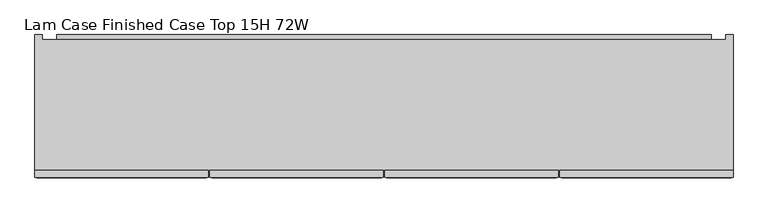
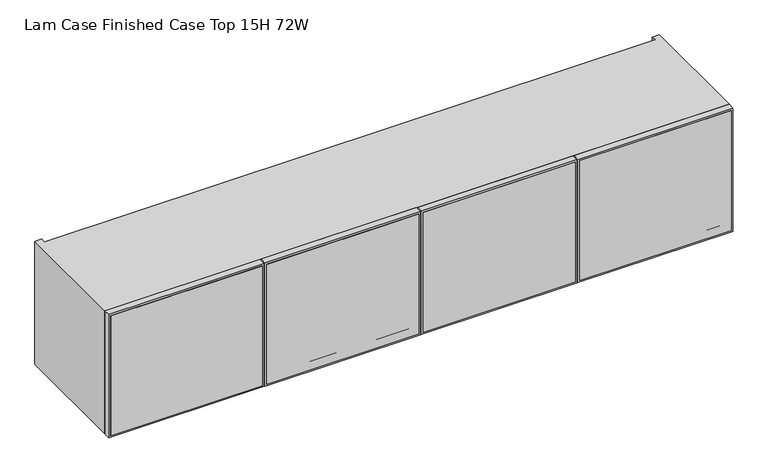
"""IFC4 building model written with IfcOpenShell, lengths in millimetres: furniture geometry, Lam Case Finished Case Top 15H 72W."""

from ifc_helpers import new_model, si_unit, frame, origin, place, context, project, spatial, polyline, outline, extrude, faceted_brep, source, transform, mapped, element, save


def lam_case_finished_case_top_15h_72w_d04bae2f(model_context):
    return source(origin(), model_context, "Body", "SolidModel", [
        extrude(outline(polyline([(1322.6288, 456.2475), (1322.6288, 910.2725), (1703.6288, 910.2725), (1703.6288, 456.2475), (1322.6288, 456.2475)]), holes=[polyline([(1672.6408, 487.2355), (1672.6408, 879.2845), (1353.6168, 879.2845), (1353.6168, 487.2355), (1672.6408, 487.2355)])]), frame((0.0, -214.8113724, 0.0), z_axis=(0.0, 1.0, 0.0), x_axis=(0.0, 0.0, 1.0)), (0.0, 0.0, 1.0), 19.304),
        extrude(outline(polyline([(1703.6288, 913.4475), (1322.6288, 913.4475), (1322.6288, 1366.52), (1703.6288, 1366.52), (1703.6288, 913.4475)]), holes=[polyline([(1672.6408, 1335.532), (1353.6168, 1335.532), (1353.6168, 944.4355), (1672.6408, 944.4355), (1672.6408, 1335.532)])]), frame((0.0, -214.8113724, 0.0), z_axis=(0.0, 1.0, 0.0), x_axis=(0.0, 0.0, 1.0)), (0.0, 0.0, 1.0), 19.304),
        extrude(outline(polyline([(1703.6288, 453.0725), (1703.6288, -0.9525), (1322.6288, -0.9525), (1322.6288, 453.0725), (1703.6288, 453.0725)]), holes=[polyline([(1353.6168, 422.0845), (1353.6168, 30.0355), (1672.6408, 30.0355), (1672.6408, 422.0845), (1353.6168, 422.0845)])]), frame((0.0, -214.8113724, 0.0), z_axis=(0.0, 1.0, 0.0), x_axis=(0.0, 0.0, 1.0)), (0.0, 0.0, 1.0), 19.304),
        extrude(outline(polyline([(1703.6288, -457.2), (1322.6288, -457.2), (1322.6288, -4.1275), (1703.6288, -4.1275), (1703.6288, -457.2)]), holes=[polyline([(1672.6408, -35.1155), (1353.6168, -35.1155), (1353.6168, -426.212), (1672.6408, -426.212), (1672.6408, -35.1155)])]), frame((0.0, -214.8113724, 0.0), z_axis=(0.0, 1.0, 0.0), x_axis=(0.0, 0.0, 1.0)), (0.0, 0.0, 1.0), 19.304),
        extrude(outline(polyline([(158.8226276, 1601.7748), (145.5282676, 1622.45294), (145.5282676, 1684.3248), (158.8226276, 1684.3248), (158.8226276, 1601.7748)])), frame((-399.796, 0.0, 0.0), z_axis=(1.0, 0.0, 0.0), x_axis=(0.0, 1.0, 0.0)), (0.0, 0.0, 1.0), 1708.912),
        extrude(outline(polyline([(145.5282676, 1613.4588), (158.8226276, 1592.78066), (158.8226276, 1530.9088), (145.5282676, 1530.9088), (145.5282676, 1613.4588)])), frame((-399.796, 0.0, 0.0), z_axis=(1.0, 0.0, 0.0), x_axis=(0.0, 1.0, 0.0)), (0.0, 0.0, 1.0), 1708.912),
        extrude(outline(polyline([(905.1925, -215.8273724), (461.3275, -215.8273724), (461.3275, -203.1273724), (905.1925, -203.1273724), (905.1925, -215.8273724)])), frame((0.0, 0.0, 1327.7088), z_axis=(0.0, 0.0, 1.0), x_axis=(1.0, 0.0, 0.0)), (0.0, 0.0, 1.0), 370.84),
        extrude(outline(polyline([(447.9925, -215.8273724), (4.1275, -215.8273724), (4.1275, -203.1273724), (447.9925, -203.1273724), (447.9925, -215.8273724)])), frame((0.0, 0.0, 1327.7088), z_axis=(0.0, 0.0, 1.0), x_axis=(1.0, 0.0, 0.0)), (0.0, 0.0, 1.0), 370.84),
        extrude(outline(polyline([(-9.2075, -215.8273724), (-452.12, -215.8273724), (-452.12, -203.1273724), (-9.2075, -203.1273724), (-9.2075, -215.8273724)])), frame((0.0, 0.0, 1327.7088), z_axis=(0.0, 0.0, 1.0), x_axis=(1.0, 0.0, 0.0)), (0.0, 0.0, 1.0), 370.84),
        extrude(outline(polyline([(1361.44, -215.8273724), (918.5275, -215.8273724), (918.5275, -203.1273724), (1361.44, -203.1273724), (1361.44, -215.8273724)])), frame((0.0, 0.0, 1327.7088), z_axis=(0.0, 0.0, 1.0), x_axis=(1.0, 0.0, 0.0)), (0.0, 0.0, 1.0), 370.84),
        extrude(outline(polyline([(1347.216, 145.5282676), (1347.216, 126.2242676), (-437.896, 126.2242676), (-437.896, 145.5282676), (1347.216, 145.5282676)])), frame((0.0, 0.0, 1341.9328), z_axis=(0.0, 0.0, 1.0), x_axis=(1.0, 0.0, 0.0)), (0.0, 0.0, 1.0), 342.392),
        faceted_brep([(-457.2, -195.5073724, 1703.6288), (-457.2, -195.5073724, 1322.6288), (1366.52, -195.5073724, 1322.6288), (1366.52, -195.5073724, 1703.6288), (-437.896, -195.5073724, 1684.3248), (1347.216, -195.5073724, 1684.3248), (1347.216, -195.5073724, 1341.9328), (-437.896, -195.5073724, 1341.9328), (1347.216, 145.5282676, 1684.3248), (-437.896, 145.5282676, 1684.3248), (-437.896, 145.5282676, 1703.6288), (1347.216, 145.5282676, 1703.6288), (1347.216, 145.5282676, 1322.6288), (-437.896, 145.5282676, 1322.6288), (-437.896, 145.5282676, 1341.9328), (1347.216, 145.5282676, 1341.9328), (1366.52, 158.8226276, 1703.6288), (1347.216, 158.8226276, 1703.6288), (-437.896, 158.8226276, 1703.6288), (-457.2, 158.8226276, 1703.6288), (-457.2, 158.8226276, 1322.6288), (-437.896, 158.8226276, 1322.6288), (1347.216, 158.8226276, 1322.6288), (1366.52, 158.8226276, 1322.6288)], [[[0, 1, 2, 3], [4, 5, 6, 7]], [[8, 9, 10, 11]], [[12, 13, 14, 15]], [[0, 3, 16, 17, 11, 10, 18, 19]], [[5, 4, 9, 8]], [[7, 6, 15, 14]], [[2, 1, 20, 21, 13, 12, 22, 23]], [[19, 18, 21, 20]], [[0, 19, 20, 1]], [[21, 18, 10, 9, 4, 7, 14, 13]], [[17, 22, 12, 15, 6, 5, 8, 11]], [[16, 3, 2, 23]], [[17, 16, 23, 22]]]),
    ])


if __name__ == "__main__":
    model = new_model("IFC4")
    model_context = context("Model", 3, world=origin())
    ifc_project = project(units=[si_unit("LENGTHUNIT", "METRE", prefix="MILLI")], contexts=[model_context])
    site = spatial("IfcSite", under=ifc_project)
    building = spatial("IfcBuilding", under=site)
    placement = place(None, origin())
    lam_case_finished_case_top_15h_72w_shape = lam_case_finished_case_top_15h_72w_d04bae2f(model_context)
    element("IfcFurniture", 1, ObjectType="Lam Case Finished Case Top 15H 72W", at=placement, inside=building, context=model_context, shape_type="MappedRepresentation", body=[
        mapped(lam_case_finished_case_top_15h_72w_shape, transform((0.0, 0.0, 0.0), x_axis=(1.0, 0.0, 0.0), y_axis=(0.0, 1.0, 0.0), z_axis=(0.0, 0.0, 1.0))),
    ])
    save(model, "model.ifc")
